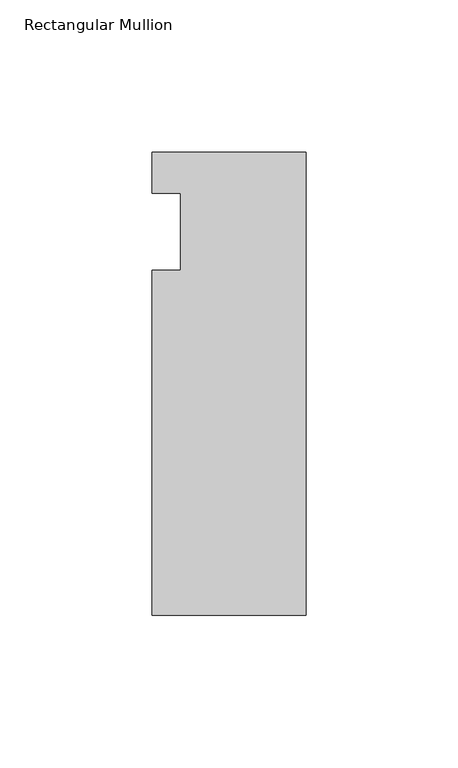
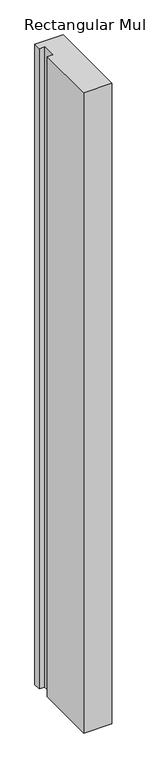
"""IFC4 building model written with IfcOpenShell, lengths in millimetres: member geometry, Rectangular Mullion."""

from ifc_helpers import new_model, si_unit, frame, origin, place, context, project, spatial, polyline, outline, extrude, source, transform, mapped, element, save


def rectangular_mullion_7079e4df(model_context):
    return source(origin(), model_context, "Body", "SweptSolid", [
        extrude(outline(polyline([(-50.8, 26.19375), (0.0, 26.19375), (0.0, -126.20625), (-50.8, -126.20625), (-50.8, -12.7), (-41.275, -12.7), (-41.275, 12.7), (-50.8, 12.7), (-50.8, 26.19375)])), frame((0.0, 0.0, -1219.2), z_axis=(0.0, 0.0, 1.0), x_axis=(1.0, 0.0, 0.0)), (0.0, 0.0, 1.0), 1219.2),
    ])


if __name__ == "__main__":
    model = new_model("IFC4")
    model_context = context("Model", 3, world=origin())
    ifc_project = project(units=[si_unit("LENGTHUNIT", "METRE", prefix="MILLI")], contexts=[model_context])
    site = spatial("IfcSite", under=ifc_project)
    building = spatial("IfcBuilding", under=site)
    placement = place(None, origin())
    rectangular_mullion_shape = rectangular_mullion_7079e4df(model_context)
    element("IfcMember", 1, ObjectType="Rectangular Mullion", at=placement, inside=building, context=model_context, shape_type="MappedRepresentation", body=[
        mapped(rectangular_mullion_shape, transform((0.0, 0.0, 0.0), x_axis=(1.0, 0.0, 0.0), y_axis=(0.0, 1.0, 0.0), z_axis=(0.0, 0.0, 1.0))),
    ])
    save(model, "model.ifc")
